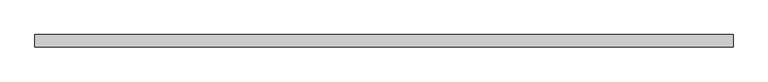
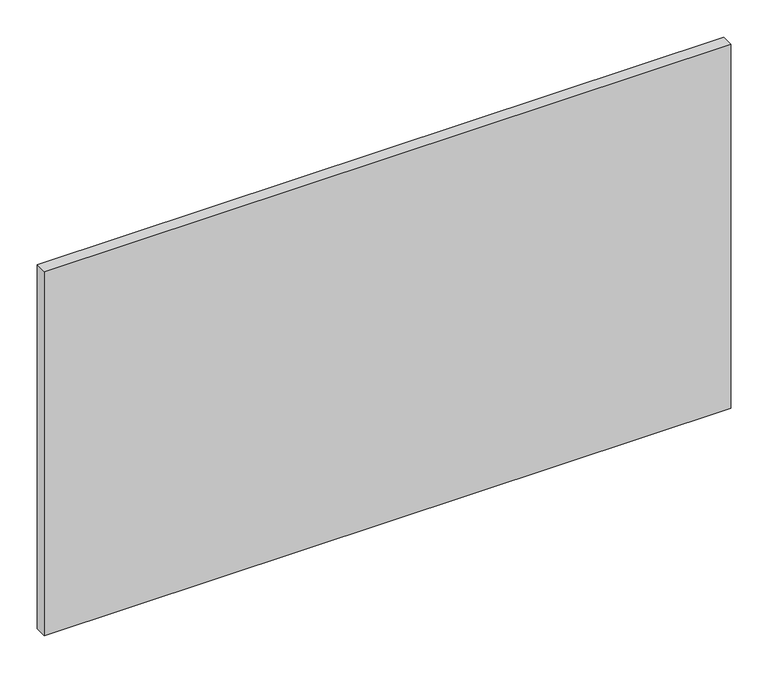
"""IFC4 building model written with IfcOpenShell, lengths in millimetres: proxy geometry."""

from ifc_helpers import new_model, si_unit, frame, origin, place, context, project, spatial, polyline, outline, extrude, source, transform, mapped, element, save


def specialty_equipment_a5daa4c2(model_context):
    return source(origin(), model_context, "Body", "SweptSolid", [
        extrude(outline(polyline([(531.5249999, 0.0), (531.5249999, -19.05), (-531.5249999, -19.05), (-531.5249999, 0.0), (531.5249999, 0.0)])), frame((0.0, 0.0, 3.175), z_axis=(0.0, 0.0, 1.0), x_axis=(1.0, 0.0, 0.0)), (0.0, 0.0, 1.0), 596.0618001),
    ])


if __name__ == "__main__":
    model = new_model("IFC4")
    model_context = context("Model", 3, world=origin())
    ifc_project = project(units=[si_unit("LENGTHUNIT", "METRE", prefix="MILLI")], contexts=[model_context])
    site = spatial("IfcSite", under=ifc_project)
    building = spatial("IfcBuilding", under=site)
    placement = place(None, origin())
    specialty_equipment_shape = specialty_equipment_a5daa4c2(model_context)
    element("IfcBuildingElementProxy", 1, Name="Specialty Equipment", at=placement, inside=building, context=model_context, shape_type="MappedRepresentation", body=[
        mapped(specialty_equipment_shape, transform((0.0, 0.0, 0.0), x_axis=(1.0, 0.0, 0.0), y_axis=(0.0, 1.0, 0.0), z_axis=(0.0, 0.0, 1.0))),
    ])
    save(model, "model.ifc")
